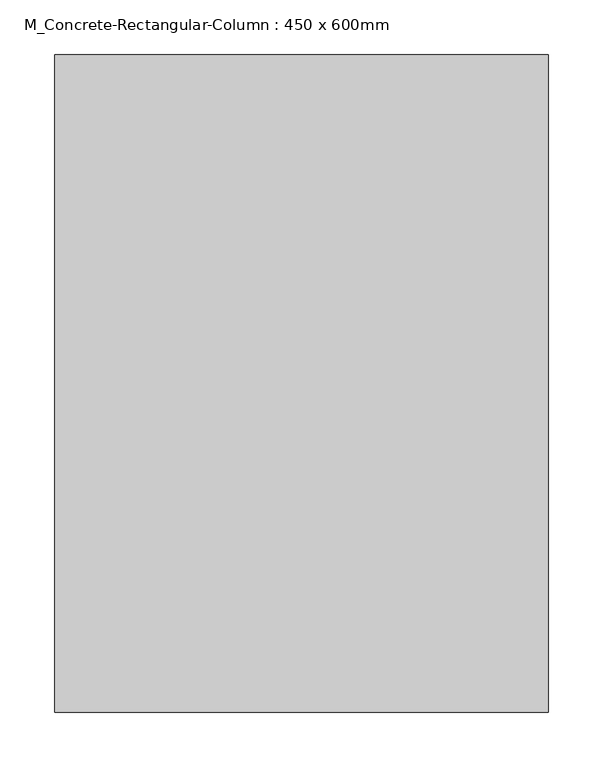
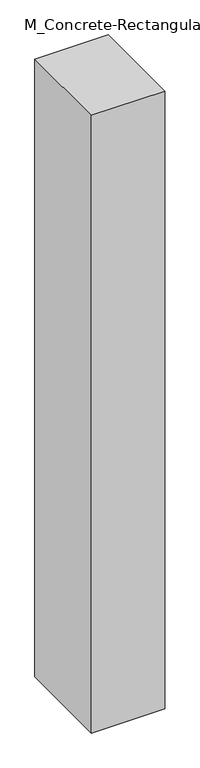
"""IFC4 building model written with IfcOpenShell, lengths in millimetres: column geometry, M_Concrete-Rectangular-Column : 450 x 600mm."""

from ifc_helpers import new_model, si_unit, origin, origin_with_axes, place, context, project, spatial, polyline, outline, extrude, source, transform, mapped, element, save


def m_concrete_rectangular_column_450_x_600mm_d0390af8(model_context):
    return source(origin(), model_context, "Body", "SweptSolid", [
        extrude(outline(polyline([(225.0, 300.0), (225.0, -300.0), (-225.0, -300.0), (-225.0, 300.0), (225.0, 300.0)])), origin_with_axes(), (0.0, 0.0, 1.0), 4000.0),
    ])


if __name__ == "__main__":
    model = new_model("IFC4")
    model_context = context("Model", 3, world=origin())
    ifc_project = project(units=[si_unit("LENGTHUNIT", "METRE", prefix="MILLI")], contexts=[model_context])
    site = spatial("IfcSite", under=ifc_project)
    building = spatial("IfcBuilding", under=site)
    placement = place(None, origin())
    m_concrete_rectangular_column_450_x_600mm_shape = m_concrete_rectangular_column_450_x_600mm_d0390af8(model_context)
    element("IfcColumn", 1, ObjectType="M_Concrete-Rectangular-Column : 450 x 600mm", at=placement, inside=building, context=model_context, shape_type="MappedRepresentation", body=[
        mapped(m_concrete_rectangular_column_450_x_600mm_shape, transform((0.0, 0.0, 0.0), x_axis=(1.0, 0.0, 0.0), y_axis=(0.0, 1.0, 0.0), z_axis=(0.0, 0.0, 1.0))),
    ])
    save(model, "model.ifc")
